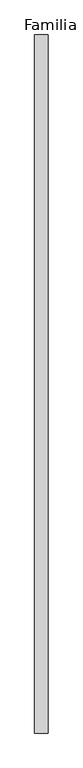
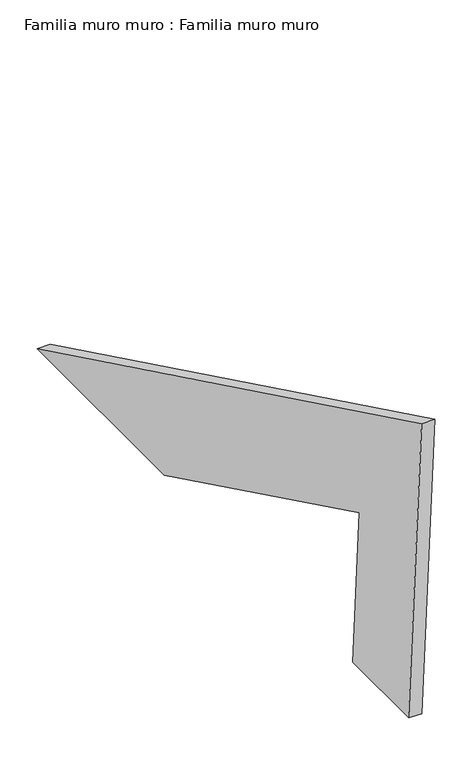
"""IFC4 building model written with IfcOpenShell, lengths in millimetres: plate geometry, Familia muro muro : Familia muro muro."""

from ifc_helpers import new_model, si_unit, frame, origin, place, context, project, spatial, polyline, outline, extrude, source, transform, mapped, element, save


def familia_muro_muro_familia_muro_muro_bfc8e17e(model_context):
    return source(origin(), model_context, "Body", "SweptSolid", [
        extrude(outline(polyline([(-1035.309848, 504.9543521), (0.0, 0.0), (-342.1758049, 0.0), (-867.551977, 256.2430804), (-849.6337153, 0.0), (-1000.0, 0.0), (-1035.309848, 504.9543521)])), frame((0.0, 0.0, 0.0), z_axis=(1.0, 0.0, 0.0), x_axis=(0.0, 1.0, 0.0)), (0.0, 0.0, 1.0), 20.0),
    ])


if __name__ == "__main__":
    model = new_model("IFC4")
    model_context = context("Model", 3, world=origin())
    ifc_project = project(units=[si_unit("LENGTHUNIT", "METRE", prefix="MILLI")], contexts=[model_context])
    site = spatial("IfcSite", under=ifc_project)
    building = spatial("IfcBuilding", under=site)
    placement = place(None, origin())
    familia_muro_muro_familia_muro_muro_shape = familia_muro_muro_familia_muro_muro_bfc8e17e(model_context)
    element("IfcPlate", 1, ObjectType="Familia muro muro : Familia muro muro", at=placement, inside=building, context=model_context, shape_type="MappedRepresentation", body=[
        mapped(familia_muro_muro_familia_muro_muro_shape, transform((0.0, 0.0, 0.0), x_axis=(1.0, 0.0, 0.0), y_axis=(0.0, 1.0, 0.0), z_axis=(0.0, 0.0, 1.0))),
    ])
    save(model, "model.ifc")
